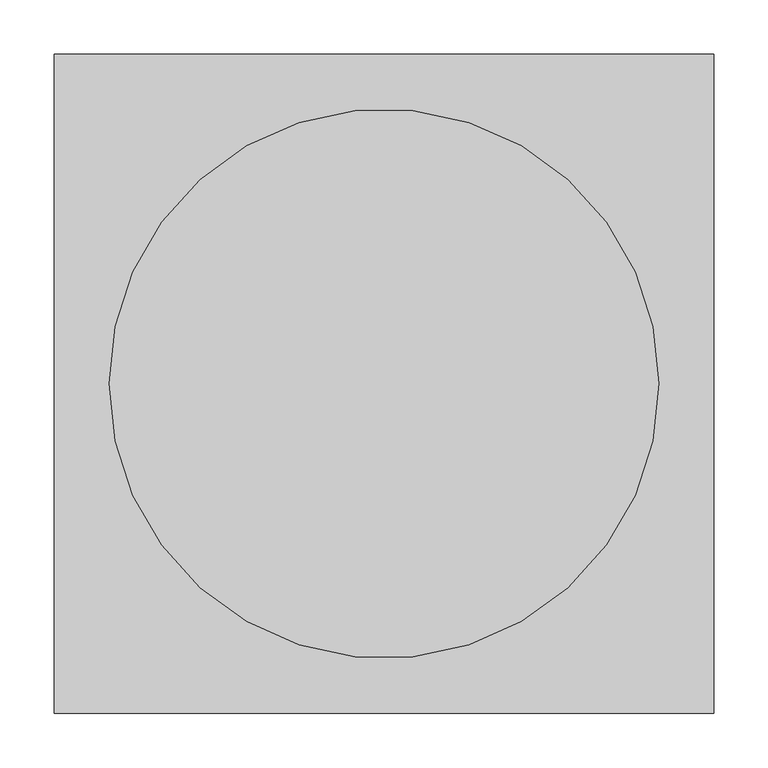
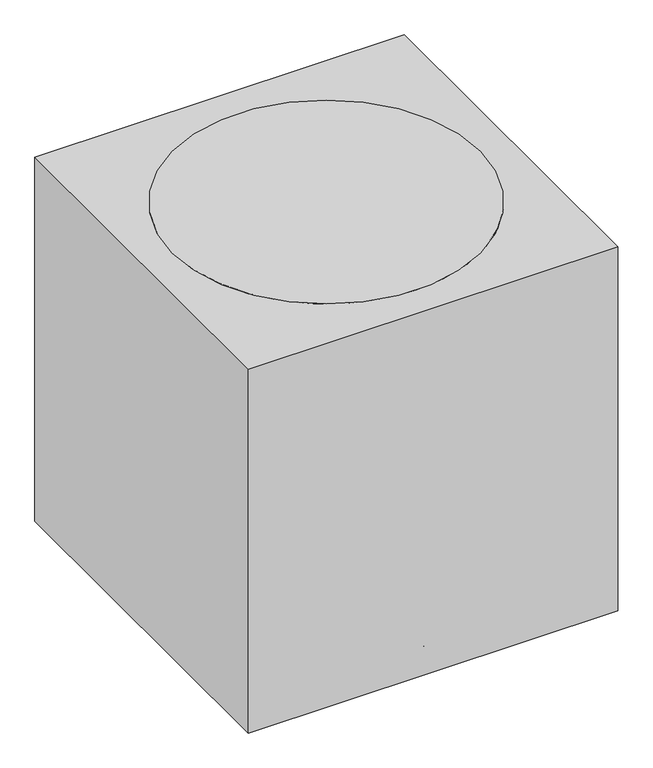
"""IFC4 building model written with IfcOpenShell, lengths in millimetres: proxy geometry."""

from ifc_helpers import new_model, si_unit, point, frame, frame_2d, origin, origin_with_axes, origin_2d, place, context, project, spatial, polyline, circle_curve, trimmed, segment, composite_curve, outline, extrude, source, transform, mapped, element, save


def specialty_equipment_f2450d64(model_context):
    return source(origin(), model_context, "Body", "SweptSolid", [
        extrude(outline(composite_curve([segment(trimmed(circle_curve(origin_2d(), 254.0), [point((-254.0, 0.0))], [point((254.0, 0.0))], False, "CARTESIAN"), True, "CONTINUOUS"), segment(trimmed(circle_curve(origin_2d(), 254.0), [point((254.0, 0.0))], [point((-254.0, 0.0))], False, "CARTESIAN"), True, "CONTINUOUS")], self_intersect=False)), frame((0.0, 0.0, 584.2), z_axis=(0.0, 0.0, 1.0), x_axis=(1.0, 0.0, 0.0)), (0.0, 0.0, 1.0), 50.8),
        extrude(outline(composite_curve([segment(trimmed(circle_curve(frame_2d((0.0, 25.7612183)), 25.7612183), [point((0.0, 51.5224365))], [point((0.0, 0.0))], False, "CARTESIAN"), True, "CONTINUOUS"), segment(trimmed(circle_curve(frame_2d((0.0, 25.7612183)), 25.7612183), [point((0.0, 0.0))], [point((0.0, 51.5224365))], False, "CARTESIAN"), True, "CONTINUOUS")], self_intersect=False)), frame((194.0446927, -79.7409054, 25.7612183), z_axis=(0.3090169943748919, 0.9510565162951716, 0.0), x_axis=(0.0, 0.0, 1.0)), (0.0, 0.0, 1.0), 31.75),
        extrude(outline(composite_curve([segment(polyline([(57.1058784, 0.0), (0.678315, 0.0)]), True, "CONTINUOUS"), segment(trimmed(circle_curve(frame_2d((28.8920967, 0.0)), 28.2137817), [point((0.678315, 0.0))], [point((57.1058784, 0.0))], False, "CARTESIAN"), True, "CONTINUOUS")], self_intersect=False)), frame((245.0419551, -99.649313, 25.7612183), z_axis=(0.30901699437489183, 0.9510565162951716, 0.0), x_axis=(-0.9510565162951716, 0.30901699437489183, 0.0)), (0.0, 0.0, 1.0), 38.1),
        extrude(outline(composite_curve([segment(trimmed(circle_curve(frame_2d((223.4509477, -72.6028121)), 3.5091751), [point((222.3665529, -75.940236))], [point((224.5353424, -69.2653883))], False, "CARTESIAN"), True, "CONTINUOUS"), segment(trimmed(circle_curve(frame_2d((223.4509477, -72.6028121)), 3.5091751), [point((224.5353424, -69.2653883))], [point((222.3665529, -75.940236))], False, "CARTESIAN"), True, "CONTINUOUS")], self_intersect=False)), frame((0.0, 0.0, 53.975), z_axis=(0.0, 0.0, 1.0), x_axis=(1.0, 0.0, 0.0)), (0.0, 0.0, 1.0), 13.49375),
        extrude(outline(polyline([(230.0293313, -68.0638809), (226.105055, -80.1415615), (21.4736172, -13.6527769), (25.3978935, -1.5750963), (230.0293313, -68.0638809)])), frame((0.0, 0.0, 67.46875), z_axis=(0.0, 0.0, 1.0), x_axis=(1.0, 0.0, 0.0)), (0.0, 0.0, 1.0), 50.8),
        extrude(outline(composite_curve([segment(trimmed(circle_curve(frame_2d((0.0, 25.7612183)), 25.7612183), [point((0.0, 51.5224366))], [point((0.0, 0.0))], False, "CARTESIAN"), True, "CONTINUOUS"), segment(trimmed(circle_curve(frame_2d((0.0, 25.7612183)), 25.7612183), [point((0.0, 0.0))], [point((0.0, 51.5224366))], False, "CARTESIAN"), True, "CONTINUOUS")], self_intersect=False)), frame((135.8012154, 159.9061745, 25.7612183), z_axis=(-0.8090169943749846, 0.5877852522924221, 0.0), x_axis=(0.0, 0.0, 1.0)), (0.0, 0.0, 1.0), 31.75),
        extrude(outline(composite_curve([segment(polyline([(57.1058785, 0.0), (0.678315, 0.0)]), True, "CONTINUOUS"), segment(trimmed(circle_curve(frame_2d((28.8920967, 0.0)), 28.2137817), [point((0.678315, 0.0))], [point((57.1058785, 0.0))], False, "CARTESIAN"), True, "CONTINUOUS")], self_intersect=False)), frame((170.4942569, 202.255417, 25.7612183), z_axis=(-0.8090169943749845, 0.5877852522924222, 0.0), x_axis=(-0.5877852522924222, -0.8090169943749845, 0.0)), (0.0, 0.0, 1.0), 38.1),
        extrude(outline(composite_curve([segment(trimmed(circle_curve(frame_2d((138.0995178, 190.0789771)), 3.5091751), [point((140.9385001, 188.0163357))], [point((135.2605355, 192.1416185))], False, "CARTESIAN"), True, "CONTINUOUS"), segment(trimmed(circle_curve(frame_2d((138.0995178, 190.0789771)), 3.5091751), [point((135.2605355, 192.1416185))], [point((140.9385001, 188.0163357))], False, "CARTESIAN"), True, "CONTINUOUS")], self_intersect=False)), frame((0.0, 0.0, 53.975), z_axis=(0.0, 0.0, 1.0), x_axis=(1.0, 0.0, 0.0)), (0.0, 0.0, 1.0), 13.49375),
        extrude(outline(polyline([(135.81557, 197.7379985), (146.0894588, 190.2735815), (19.620275, 16.2036835), (9.3463863, 23.6681006), (135.81557, 197.7379985)])), frame((0.0, 0.0, 67.46875), z_axis=(0.0, 0.0, 1.0), x_axis=(1.0, 0.0, 0.0)), (0.0, 0.0, 1.0), 50.8),
        extrude(outline(composite_curve([segment(trimmed(circle_curve(frame_2d((0.0, 25.7612183)), 25.7612183), [point((0.0, 51.5224366))], [point((0.0, 0.0))], False, "CARTESIAN"), True, "CONTINUOUS"), segment(trimmed(circle_curve(frame_2d((0.0, 25.7612183)), 25.7612183), [point((0.0, 0.0))], [point((0.0, 51.5224366))], False, "CARTESIAN"), True, "CONTINUOUS")], self_intersect=False)), frame((-135.8012154, 159.9061745, 25.7612183), z_axis=(0.8090169943749151, 0.5877852522925178, 0.0), x_axis=(0.0, 0.0, -1.0)), (0.0, 0.0, 1.0), 31.75),
        extrude(outline(composite_curve([segment(trimmed(circle_curve(frame_2d((-28.8920967, 0.0)), 28.2137817), [point((-57.1058785, 0.0))], [point((-0.678315, 0.0))], False, "CARTESIAN"), True, "CONTINUOUS"), segment(polyline([(-0.678315, 0.0), (-57.1058785, 0.0)]), True, "CONTINUOUS")], self_intersect=False)), frame((-170.4942569, 202.255417, 25.7612183), z_axis=(0.809016994374915, 0.5877852522925177, 0.0), x_axis=(-0.5877852522925177, 0.809016994374915, 0.0)), (0.0, 0.0, 1.0), 38.1),
        extrude(outline(composite_curve([segment(trimmed(circle_curve(frame_2d((-138.1007518, 190.0780805)), 3.5091751), [point((-135.2617695, 192.1407219))], [point((-140.9397341, 188.0154391))], False, "CARTESIAN"), True, "CONTINUOUS"), segment(trimmed(circle_curve(frame_2d((-138.1007518, 190.0780805)), 3.5091751), [point((-140.9397341, 188.0154391))], [point((-135.2617695, 192.1407219))], False, "CARTESIAN"), True, "CONTINUOUS")], self_intersect=False)), frame((0.0, 0.0, 53.975), z_axis=(0.0, 0.0, 1.0), x_axis=(1.0, 0.0, 0.0)), (0.0, 0.0, 1.0), 13.49375),
        extrude(outline(polyline([(-146.0906928, 190.2726849), (-135.8168041, 197.737102), (-9.3476203, 23.667204), (-19.6215091, 16.2027869), (-146.0906928, 190.2726849)])), frame((0.0, 0.0, 67.46875), z_axis=(0.0, 0.0, 1.0), x_axis=(1.0, 0.0, 0.0)), (0.0, 0.0, 1.0), 50.8),
        extrude(outline(composite_curve([segment(trimmed(circle_curve(frame_2d((0.0, 25.7612183)), 25.7612183), [point((0.0, 51.5224365))], [point((0.0, 0.0))], False, "CARTESIAN"), True, "CONTINUOUS"), segment(trimmed(circle_curve(frame_2d((0.0, 25.7612183)), 25.7612183), [point((0.0, 0.0))], [point((0.0, 51.5224365))], False, "CARTESIAN"), True, "CONTINUOUS")], self_intersect=False)), frame((-194.0446927, -79.7409054, 25.7612183), z_axis=(-0.3090169943749793, 0.9510565162951433, 0.0), x_axis=(0.0, 0.0, -1.0)), (0.0, 0.0, 1.0), 31.75),
        extrude(outline(composite_curve([segment(trimmed(circle_curve(frame_2d((-28.8920967, 0.0)), 28.2137817), [point((-57.1058784, 0.0))], [point((-0.678315, 0.0))], False, "CARTESIAN"), True, "CONTINUOUS"), segment(polyline([(-0.678315, 0.0), (-57.1058784, 0.0)]), True, "CONTINUOUS")], self_intersect=False)), frame((-245.0419551, -99.649313, 25.7612183), z_axis=(-0.3090169943749793, 0.9510565162951433, 0.0), x_axis=(-0.9510565162951433, -0.3090169943749793, 0.0)), (0.0, 0.0, 1.0), 38.1),
        extrude(outline(composite_curve([segment(trimmed(circle_curve(frame_2d((-223.4504763, -72.6042628)), 3.5091751), [point((-224.5348711, -69.266839))], [point((-222.3660816, -75.9416867))], False, "CARTESIAN"), True, "CONTINUOUS"), segment(trimmed(circle_curve(frame_2d((-223.4504763, -72.6042628)), 3.5091751), [point((-222.3660816, -75.9416867))], [point((-224.5348711, -69.266839))], False, "CARTESIAN"), True, "CONTINUOUS")], self_intersect=False)), frame((0.0, 0.0, 53.975), z_axis=(0.0, 0.0, 1.0), x_axis=(1.0, 0.0, 0.0)), (0.0, 0.0, 1.0), 13.49375),
        extrude(outline(polyline([(-226.1045836, -80.1430121), (-230.0288599, -68.0653316), (-25.3974221, -1.576547), (-21.4731458, -13.6542275), (-226.1045836, -80.1430121)])), frame((0.0, 0.0, 67.46875), z_axis=(0.0, 0.0, 1.0), x_axis=(1.0, 0.0, 0.0)), (0.0, 0.0, 1.0), 50.8),
        extrude(outline(composite_curve([segment(trimmed(circle_curve(frame_2d((-234.9499827, 25.7612183)), 25.7612183), [point((-260.7112009, 25.7612183))], [point((-209.1887644, 25.7612183))], False, "CARTESIAN"), True, "CONTINUOUS"), segment(trimmed(circle_curve(frame_2d((-234.9499827, 25.7612183)), 25.7612183), [point((-209.1887644, 25.7612183))], [point((-260.7112009, 25.7612183))], False, "CARTESIAN"), True, "CONTINUOUS")], self_intersect=False)), frame((-15.875, 0.0, 0.0), z_axis=(1.0, 0.0, 0.0), x_axis=(0.0, 1.0, 0.0)), (0.0, 0.0, 1.0), 31.75),
        extrude(outline(composite_curve([segment(polyline([(-206.7362009, 25.7612183), (-263.1637644, 25.7612183)]), True, "CONTINUOUS"), segment(trimmed(circle_curve(frame_2d((-234.9499827, 25.7612183)), 28.2137817), [point((-263.1637644, 25.7612183))], [point((-206.7362009, 25.7612183))], False, "CARTESIAN"), True, "CONTINUOUS")], self_intersect=False)), frame((-19.05, 0.0, 0.0), z_axis=(1.0, 0.0, 0.0), x_axis=(0.0, 1.0, 0.0)), (0.0, 0.0, 1.0), 38.1),
        extrude(outline(composite_curve([segment(trimmed(circle_curve(frame_2d((0.0007627, -234.9499827)), 3.5091751), [point((-3.5084124, -234.9499827))], [point((3.5099378, -234.9499827))], False, "CARTESIAN"), True, "CONTINUOUS"), segment(trimmed(circle_curve(frame_2d((0.0007627, -234.9499827)), 3.5091751), [point((3.5099378, -234.9499827))], [point((-3.5084124, -234.9499827))], False, "CARTESIAN"), True, "CONTINUOUS")], self_intersect=False)), frame((0.0, 0.0, 53.975), z_axis=(0.0, 0.0, 1.0), x_axis=(1.0, 0.0, 0.0)), (0.0, 0.0, 1.0), 13.49375),
        extrude(outline(polyline([(6.3503751, -239.8037904), (-6.3488498, -239.8037904), (-6.3488498, -24.6415636), (6.3503751, -24.6415636), (6.3503751, -239.8037904)])), frame((0.0, 0.0, 67.46875), z_axis=(0.0, 0.0, 1.0), x_axis=(1.0, 0.0, 0.0)), (0.0, 0.0, 1.0), 50.8),
        extrude(outline(composite_curve([segment(trimmed(circle_curve(origin_2d(), 25.4466483), [point((-25.4466483, 0.0))], [point((25.4466483, 0.0))], False, "CARTESIAN"), True, "CONTINUOUS"), segment(trimmed(circle_curve(origin_2d(), 25.4466483), [point((25.4466483, 0.0))], [point((-25.4466483, 0.0))], False, "CARTESIAN"), True, "CONTINUOUS")], self_intersect=False)), frame((0.0, 0.0, 67.46875), z_axis=(0.0, 0.0, 1.0), x_axis=(1.0, 0.0, 0.0)), (0.0, 0.0, 1.0), 516.73125),
        extrude(outline(polyline([(304.8, -304.8), (-304.8, -304.8), (-304.8, 304.8), (304.8, 304.8), (304.8, -304.8)])), origin_with_axes(), (0.0, 0.0, 1.0), 635.0),
    ])


if __name__ == "__main__":
    model = new_model("IFC4")
    model_context = context("Model", 3, world=origin())
    ifc_project = project(units=[si_unit("LENGTHUNIT", "METRE", prefix="MILLI")], contexts=[model_context])
    site = spatial("IfcSite", under=ifc_project)
    building = spatial("IfcBuilding", under=site)
    placement = place(None, origin())
    specialty_equipment_shape = specialty_equipment_f2450d64(model_context)
    element("IfcBuildingElementProxy", 1, Name="Specialty Equipment", at=placement, inside=building, context=model_context, shape_type="MappedRepresentation", body=[
        mapped(specialty_equipment_shape, transform((0.0, 0.0, 0.0), x_axis=(1.0, 0.0, 0.0), y_axis=(0.0, 1.0, 0.0), z_axis=(0.0, 0.0, 1.0))),
    ])
    save(model, "model.ifc")
